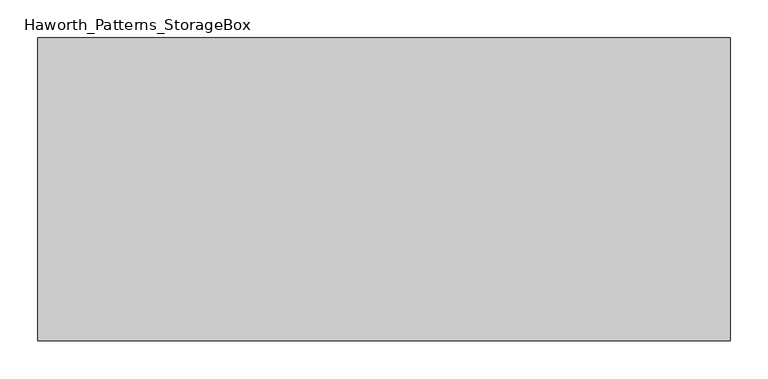
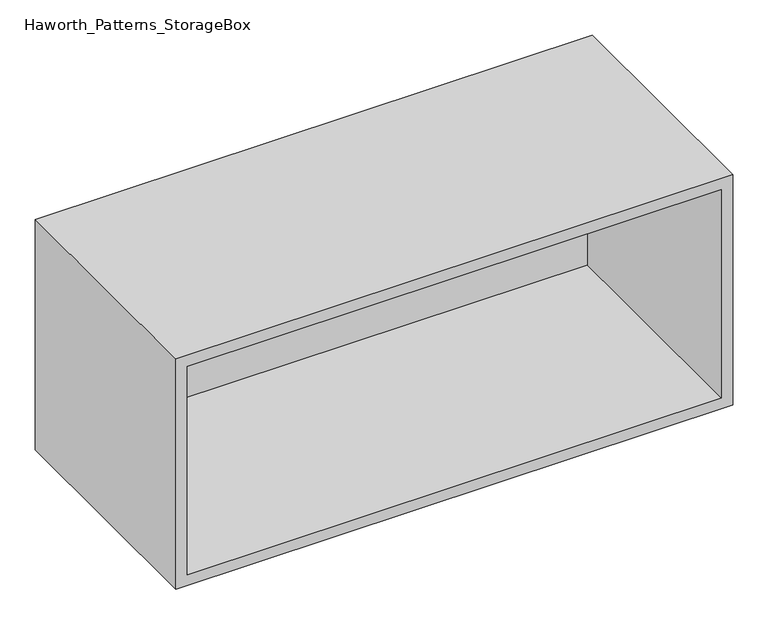
"""IFC4 building model written with IfcOpenShell, lengths in millimetres: furniture geometry, Haworth_Patterns_StorageBox."""

from ifc_helpers import new_model, si_unit, frame, origin, place, context, project, spatial, polyline, outline, extrude, source, transform, mapped, element, save


def haworth_patterns_storagebox_66863776(model_context):
    return source(origin(), model_context, "Body", "SweptSolid", [
        extrude(outline(polyline([(-238.125, -346.075), (-238.125, -53.975), (568.325, -53.975), (568.325, -346.075), (-238.125, -346.075)])), frame((0.0, 0.0, 762.0), z_axis=(0.0, 0.0, 1.0), x_axis=(1.0, 0.0, 0.0)), (0.0, 0.0, 1.0), 19.05),
        extrude(outline(polyline([(603.25, -19.05), (-273.05, -19.05), (-273.05, 0.0), (603.25, 0.0), (603.25, -19.05)])), frame((0.0, 0.0, 800.1), z_axis=(0.0, 0.0, 1.0), x_axis=(1.0, 0.0, 0.0)), (0.0, 0.0, 1.0), 361.95),
        extrude(outline(polyline([(781.05, 622.3), (1181.1, 622.3), (1181.1, -292.1), (781.05, -292.1), (781.05, 622.3)]), holes=[polyline([(1162.05, 603.25), (800.1, 603.25), (800.1, -273.05), (1162.05, -273.05), (1162.05, 603.25)])]), frame((0.0, -400.05, 0.0), z_axis=(0.0, 1.0, 0.0), x_axis=(0.0, 0.0, 1.0)), (0.0, 0.0, 1.0), 400.05),
    ])


if __name__ == "__main__":
    model = new_model("IFC4")
    model_context = context("Model", 3, world=origin())
    ifc_project = project(units=[si_unit("LENGTHUNIT", "METRE", prefix="MILLI")], contexts=[model_context])
    site = spatial("IfcSite", under=ifc_project)
    building = spatial("IfcBuilding", under=site)
    placement = place(None, origin())
    haworth_patterns_storagebox_shape = haworth_patterns_storagebox_66863776(model_context)
    element("IfcFurniture", 1, ObjectType="Haworth_Patterns_StorageBox", at=placement, inside=building, context=model_context, shape_type="MappedRepresentation", body=[
        mapped(haworth_patterns_storagebox_shape, transform((0.0, 0.0, 0.0), x_axis=(1.0, 0.0, 0.0), y_axis=(0.0, 1.0, 0.0), z_axis=(0.0, 0.0, 1.0))),
    ])
    save(model, "model.ifc")
